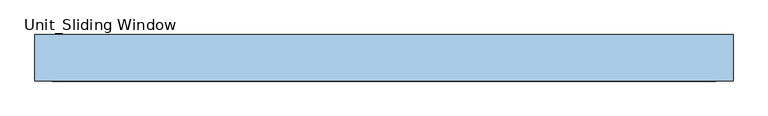
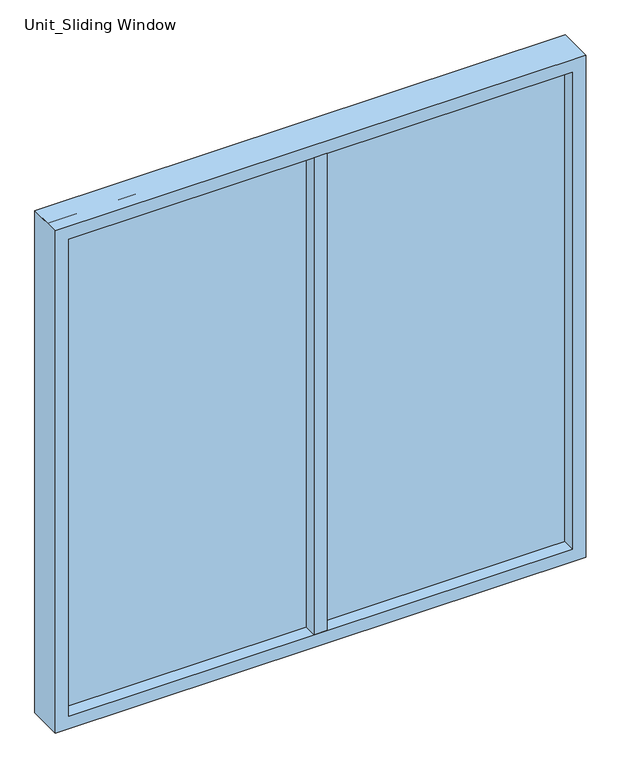
"""IFC4 building model written with IfcOpenShell, lengths in millimetres: window geometry, Unit_Sliding Window."""

from ifc_helpers import new_model, si_unit, frame, origin, place, context, project, spatial, polyline, outline, extrude, source, transform, mapped, element, save


def unit_sliding_window_2407ebaf(model_context):
    return source(origin(), model_context, "Body", "SweptSolid", [
        extrude(outline(polyline([(-19.05, 17.4625), (19.05, 17.4625), (19.05, -84.1375), (-19.05, -84.1375), (-19.05, 17.4625)])), frame((0.0, 0.0, 952.5), z_axis=(0.0, 0.0, 1.0), x_axis=(1.0, 0.0, 0.0)), (0.0, 0.0, 1.0), 1447.8),
        extrude(outline(polyline([(2438.4, -762.0), (914.4, -762.0), (914.4, 762.0), (2438.4, 762.0), (2438.4, -762.0)]), holes=[polyline([(2400.3, -723.9), (2400.3, 723.9), (952.5, 723.9), (952.5, -723.9), (2400.3, -723.9)])]), frame((0.0, -84.1375, 0.0), z_axis=(0.0, 1.0, 0.0), x_axis=(0.0, 0.0, 1.0)), (0.0, 0.0, 1.0), 101.6),
        extrude(outline(polyline([(-762.0, -20.6375), (762.0, -20.6375), (762.0, -46.0375), (-762.0, -46.0375), (-762.0, -20.6375)])), frame((0.0, 0.0, 914.4), z_axis=(0.0, 0.0, 1.0), x_axis=(1.0, 0.0, 0.0)), (0.0, 0.0, 1.0), 1524.0),
    ])


if __name__ == "__main__":
    model = new_model("IFC4")
    model_context = context("Model", 3, world=origin())
    ifc_project = project(units=[si_unit("LENGTHUNIT", "METRE", prefix="MILLI")], contexts=[model_context])
    site = spatial("IfcSite", under=ifc_project)
    building = spatial("IfcBuilding", under=site)
    placement = place(None, origin())
    unit_sliding_window_shape = unit_sliding_window_2407ebaf(model_context)
    element("IfcWindow", 1, ObjectType="Unit_Sliding Window", at=placement, inside=building, context=model_context, shape_type="MappedRepresentation", body=[
        mapped(unit_sliding_window_shape, transform((0.0, 0.0, 0.0), x_axis=(1.0, 0.0, 0.0), y_axis=(0.0, 1.0, 0.0), z_axis=(0.0, 0.0, 1.0))),
    ])
    save(model, "model.ifc")
